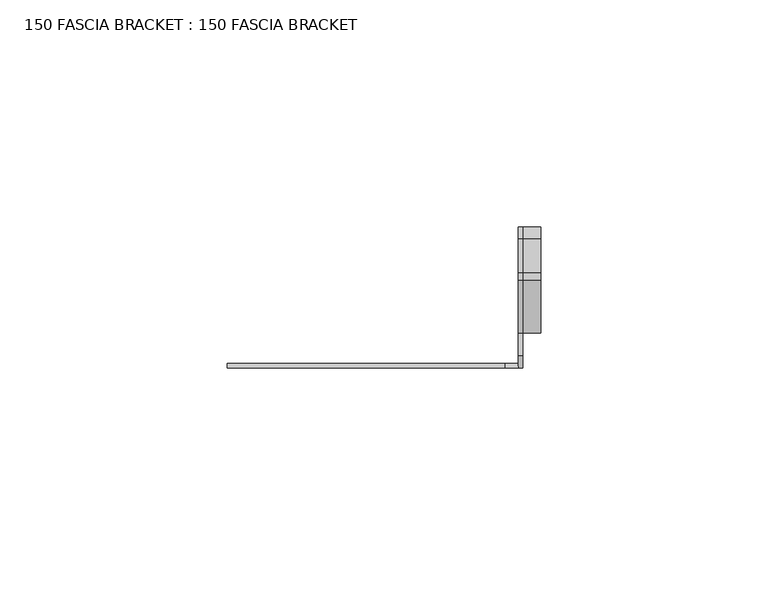
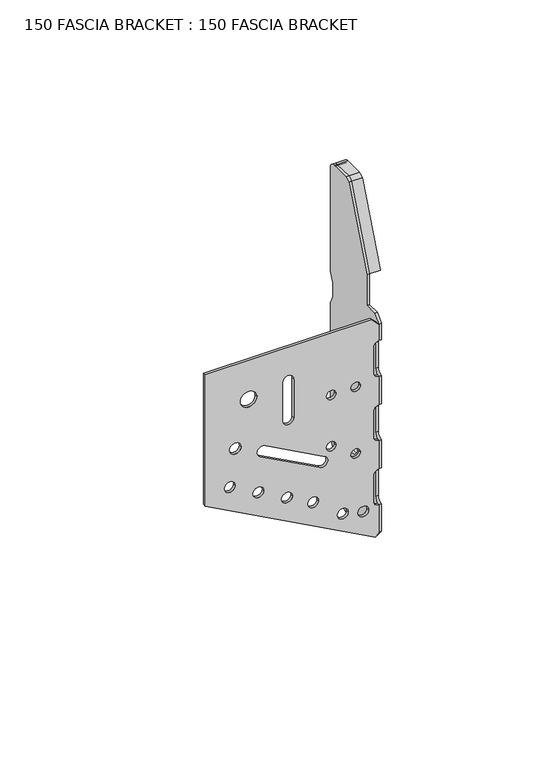
"""IFC4 building model written with IfcOpenShell, lengths in millimetres: proxy geometry, 150 FASCIA BRACKET : 150 FASCIA BRACKET."""

from ifc_helpers import new_model, si_unit, point, frame, frame_2d, origin, place, context, project, spatial, polyline, circle_curve, trimmed, segment, composite_curve, outline, extrude, source, transform, mapped, element, save


def proxy_150_fascia_bracket_150_fascia_bracket_fdb0e540(model_context):
    return source(origin(), model_context, "Body", "SweptSolid", [
        extrude(outline(composite_curve([segment(polyline([(87.0551319, -64.0418901), (36.0, -64.0418901), (1.9548724, -1.3378749), (3.2811227, 0.0), (14.0555655, 0.0)]), True, "CONTINUOUS"), segment(trimmed(circle_curve(frame_2d((16.0787588, -0.0418901)), 2.0236269), [point((14.0555655, 0.0))], [point((16.0787588, -2.065517))], True, "CARTESIAN"), True, "CONTINUOUS"), segment(polyline([(16.0787588, -2.065517), (26.0315049, -2.065517)]), True, "CONTINUOUS"), segment(trimmed(circle_curve(frame_2d((26.0315049, -0.0418901)), 2.0236269), [point((26.0315049, -2.065517))], [point((28.0546983, 0.0))], True, "CARTESIAN"), True, "CONTINUOUS"), segment(polyline([(28.0546983, 0.0), (39.0555655, 0.0)]), True, "CONTINUOUS"), segment(trimmed(circle_curve(frame_2d((41.0787588, -0.0418901)), 2.0236269), [point((39.0555655, 0.0))], [point((41.0787588, -2.065517))], True, "CARTESIAN"), True, "CONTINUOUS"), segment(polyline([(41.0787588, -2.065517), (51.0315049, -2.065517)]), True, "CONTINUOUS"), segment(trimmed(circle_curve(frame_2d((51.0315049, -0.0418901)), 2.0236269), [point((51.0315049, -2.065517))], [point((53.0546983, 0.0))], True, "CARTESIAN"), True, "CONTINUOUS"), segment(polyline([(53.0546983, 0.0), (64.0555655, 0.0)]), True, "CONTINUOUS"), segment(trimmed(circle_curve(frame_2d((66.0787588, -0.0418901)), 2.0236269), [point((64.0555655, 0.0))], [point((66.0787588, -2.065517))], True, "CARTESIAN"), True, "CONTINUOUS"), segment(polyline([(66.0787588, -2.065517), (76.0315049, -2.065517)]), True, "CONTINUOUS"), segment(trimmed(circle_curve(frame_2d((76.0315049, -0.0418901)), 2.0236269), [point((76.0315049, -2.065517))], [point((78.0546983, 0.0))], True, "CARTESIAN"), True, "CONTINUOUS"), segment(polyline([(78.0546983, 0.0), (84.253272, 0.0), (87.0551319, -2.8018599), (87.0551319, -64.0418901)]), True, "CONTINUOUS")], self_intersect=False), holes=[composite_curve([segment(trimmed(circle_curve(frame_2d((72.0, -47.9979045)), 3.0), [point((72.0, -50.9979045))], [point((72.0, -44.9979045))], True, "CARTESIAN"), True, "CONTINUOUS"), segment(trimmed(circle_curve(frame_2d((72.0, -47.9979045)), 3.0), [point((72.0, -44.9979045))], [point((72.0, -50.9979045))], True, "CARTESIAN"), True, "CONTINUOUS")], self_intersect=False), composite_curve([segment(trimmed(circle_curve(frame_2d((54.5, -52.9517366)), 2.0901535), [point((54.5, -55.0418901))], [point((54.5, -50.861583))], True, "CARTESIAN"), True, "CONTINUOUS"), segment(trimmed(circle_curve(frame_2d((54.5, -52.9517366)), 2.0901535), [point((54.5, -50.861583))], [point((54.5, -55.0418901))], True, "CARTESIAN"), True, "CONTINUOUS")], self_intersect=False), composite_curve([segment(trimmed(circle_curve(frame_2d((40.1676263, -54.9517366)), 2.0), [point((40.1676263, -56.9517366))], [point((40.1676263, -52.9517366))], True, "CARTESIAN"), True, "CONTINUOUS"), segment(trimmed(circle_curve(frame_2d((40.1676263, -54.9517366)), 2.0), [point((40.1676263, -52.9517366))], [point((40.1676263, -56.9517366))], True, "CARTESIAN"), True, "CONTINUOUS")], self_intersect=False), composite_curve([segment(trimmed(circle_curve(frame_2d((34.4417699, -44.4059048)), 2.0), [point((34.4417699, -46.4059048))], [point((34.4417699, -42.4059048))], True, "CARTESIAN"), True, "CONTINUOUS"), segment(trimmed(circle_curve(frame_2d((34.4417699, -44.4059048)), 2.0), [point((34.4417699, -42.4059048))], [point((34.4417699, -46.4059048))], True, "CARTESIAN"), True, "CONTINUOUS")], self_intersect=False), composite_curve([segment(trimmed(circle_curve(frame_2d((28.7159134, -33.860073)), 2.0), [point((28.7159134, -35.860073))], [point((28.7159134, -31.860073))], True, "CARTESIAN"), True, "CONTINUOUS"), segment(trimmed(circle_curve(frame_2d((28.7159134, -33.860073)), 2.0), [point((28.7159134, -31.860073))], [point((28.7159134, -35.860073))], True, "CARTESIAN"), True, "CONTINUOUS")], self_intersect=False), composite_curve([segment(trimmed(circle_curve(frame_2d((23.4672117, -24.1930605)), 2.0), [point((23.4672117, -26.1930605))], [point((23.4672117, -22.1930605))], True, "CARTESIAN"), True, "CONTINUOUS"), segment(trimmed(circle_curve(frame_2d((23.4672117, -24.1930605)), 2.0), [point((23.4672117, -22.1930605))], [point((23.4672117, -26.1930605))], True, "CARTESIAN"), True, "CONTINUOUS")], self_intersect=False), composite_curve([segment(trimmed(circle_curve(frame_2d((15.2572508, -13.2891371)), 2.0), [point((15.2572508, -15.2891371))], [point((15.2572508, -11.2891371))], True, "CARTESIAN"), True, "CONTINUOUS"), segment(trimmed(circle_curve(frame_2d((15.2572508, -13.2891371)), 2.0), [point((15.2572508, -11.2891371))], [point((15.2572508, -15.2891371))], True, "CARTESIAN"), True, "CONTINUOUS")], self_intersect=False), composite_curve([segment(trimmed(circle_curve(frame_2d((13.4571433, -5.7323275)), 2.0), [point((13.4571433, -7.7323275))], [point((13.4571433, -3.7323275))], True, "CARTESIAN"), True, "CONTINUOUS"), segment(trimmed(circle_curve(frame_2d((13.4571433, -5.7323275)), 2.0), [point((13.4571433, -3.7323275))], [point((13.4571433, -7.7323275))], True, "CARTESIAN"), True, "CONTINUOUS")], self_intersect=False), composite_curve([segment(trimmed(circle_curve(frame_2d((63.0, -17.5622042)), 1.75), [point((63.0, -19.3122042))], [point((63.0, -15.8122042))], True, "CARTESIAN"), True, "CONTINUOUS"), segment(trimmed(circle_curve(frame_2d((63.0, -17.5622042)), 1.75), [point((63.0, -15.8122042))], [point((63.0, -19.3122042))], True, "CARTESIAN"), True, "CONTINUOUS")], self_intersect=False), composite_curve([segment(trimmed(circle_curve(frame_2d((63.0, -8.5501839)), 1.75), [point((63.0, -10.3001839))], [point((63.0, -6.8001839))], True, "CARTESIAN"), True, "CONTINUOUS"), segment(trimmed(circle_curve(frame_2d((63.0, -8.5501839)), 1.75), [point((63.0, -6.8001839))], [point((63.0, -10.3001839))], True, "CARTESIAN"), True, "CONTINUOUS")], self_intersect=False), composite_curve([segment(trimmed(circle_curve(frame_2d((43.0, -17.5622042)), 1.75), [point((43.0, -19.3122042))], [point((43.0, -15.8122042))], True, "CARTESIAN"), True, "CONTINUOUS"), segment(trimmed(circle_curve(frame_2d((43.0, -17.5622042)), 1.75), [point((43.0, -15.8122042))], [point((43.0, -19.3122042))], True, "CARTESIAN"), True, "CONTINUOUS")], self_intersect=False), composite_curve([segment(trimmed(circle_curve(frame_2d((37.0, -8.5501839)), 1.75), [point((37.0, -10.3001839))], [point((37.0, -6.8001839))], True, "CARTESIAN"), True, "CONTINUOUS"), segment(trimmed(circle_curve(frame_2d((37.0, -8.5501839)), 1.75), [point((37.0, -6.8001839))], [point((37.0, -10.3001839))], True, "CARTESIAN"), True, "CONTINUOUS")], self_intersect=False), composite_curve([segment(polyline([(73.9763731, -31.3773702), (59.0236269, -31.3773702)]), True, "CONTINUOUS"), segment(trimmed(circle_curve(frame_2d((59.0236269, -33.4009971)), 2.0236269), [point((59.0236269, -31.3773702))], [point((59.0236269, -35.4246241))], True, "CARTESIAN"), True, "CONTINUOUS"), segment(polyline([(59.0236269, -35.4246241), (73.9763731, -35.4246241)]), True, "CONTINUOUS"), segment(trimmed(circle_curve(frame_2d((73.9763731, -33.4009971)), 2.0236269), [point((73.9763731, -35.4246241))], [point((73.9763731, -31.3773702))], True, "CARTESIAN"), True, "CONTINUOUS")], self_intersect=False), composite_curve([segment(polyline([(51.7189076, -41.8530352), (39.7916838, -19.8855798)]), True, "CONTINUOUS"), segment(trimmed(circle_curve(frame_2d((38.0132813, -20.8511629)), 2.0236269), [point((39.7916838, -19.8855798))], [point((36.2348789, -21.816746))], True, "CARTESIAN"), True, "CONTINUOUS"), segment(polyline([(36.2348789, -21.816746), (48.1621027, -43.7842015)]), True, "CONTINUOUS"), segment(trimmed(circle_curve(frame_2d((49.9405052, -42.8186183)), 2.0236269), [point((48.1621027, -43.7842015))], [point((51.7189076, -41.8530352))], True, "CARTESIAN"), True, "CONTINUOUS")], self_intersect=False)]), frame((0.0, -1.0, 0.0), z_axis=(0.0, 1.0, 0.0), x_axis=(0.0, 0.0, 1.0)), (0.0, 0.0, 1.0), 1.0),
        extrude(outline(composite_curve([segment(polyline([(-1.0, 84.331397), (1.7237349, 87.0551319), (6.6645514, 87.0551319), (6.6645514, 99.0792965), (18.2107598, 127.9914442)]), True, "CONTINUOUS"), segment(trimmed(circle_curve(frame_2d((19.9780513, 127.0551319)), 2.0), [point((18.2107598, 127.9914442))], [point((19.9780513, 129.0551319))], False, "CARTESIAN"), True, "CONTINUOUS"), segment(polyline([(19.9780513, 129.0551319), (27.3362349, 129.0551319)]), True, "CONTINUOUS"), segment(trimmed(circle_curve(frame_2d((27.3362349, 126.3551319)), 2.7), [point((27.3362349, 129.0551319))], [point((30.0362349, 126.3551319))], False, "CARTESIAN"), True, "CONTINUOUS"), segment(polyline([(30.0362349, 126.3551319), (30.0362349, 86.2759009), (28.4116721, 82.7759009), (28.4116721, 77.3343629), (30.0362349, 73.8343629), (30.0362349, 36.2759009), (28.4116721, 32.7759009), (28.4116721, 27.3343629), (30.0362349, 23.8343629), (27.2126299, 13.676509), (24.2228862, 10.6867653), (26.2360649, 10.1633389), (23.4109351, 0.0), (12.0362349, -5.0048681), (12.0362349, 0.2023294), (1.6015429, 0.2023294), (-1.0, 3.3362546), (-1.0, 14.0554563)]), True, "CONTINUOUS"), segment(trimmed(circle_curve(frame_2d((-0.9637651, 16.0787588)), 2.0236269), [point((-1.0, 14.0554563))], [point((1.0598619, 16.0787588))], True, "CARTESIAN"), True, "CONTINUOUS"), segment(polyline([(1.0598619, 16.0787588), (1.0598619, 26.0315049)]), True, "CONTINUOUS"), segment(trimmed(circle_curve(frame_2d((-0.9637651, 26.0315049)), 2.0236269), [point((1.0598619, 26.0315049))], [point((-1.0, 28.0548075))], True, "CARTESIAN"), True, "CONTINUOUS"), segment(polyline([(-1.0, 28.0548075), (-1.0, 39.0554563)]), True, "CONTINUOUS"), segment(trimmed(circle_curve(frame_2d((-0.9637651, 41.0787588)), 2.0236269), [point((-1.0, 39.0554563))], [point((1.0598619, 41.0787588))], True, "CARTESIAN"), True, "CONTINUOUS"), segment(polyline([(1.0598619, 41.0787588), (1.0598619, 51.0315049)]), True, "CONTINUOUS"), segment(trimmed(circle_curve(frame_2d((-0.9637651, 51.0315049)), 2.0236269), [point((1.0598619, 51.0315049))], [point((-1.0, 53.0548075))], True, "CARTESIAN"), True, "CONTINUOUS"), segment(polyline([(-1.0, 53.0548075), (-1.0, 64.0554563)]), True, "CONTINUOUS"), segment(trimmed(circle_curve(frame_2d((-0.9637651, 66.0787588)), 2.0236269), [point((-1.0, 64.0554563))], [point((1.0598619, 66.0787588))], True, "CARTESIAN"), True, "CONTINUOUS"), segment(polyline([(1.0598619, 66.0787588), (1.0598619, 76.0315049)]), True, "CONTINUOUS"), segment(trimmed(circle_curve(frame_2d((-0.9637651, 76.0315049)), 2.0236269), [point((1.0598619, 76.0315049))], [point((-1.0, 78.0548075))], True, "CARTESIAN"), True, "CONTINUOUS"), segment(polyline([(-1.0, 78.0548075), (-1.0, 84.331397)]), True, "CONTINUOUS")], self_intersect=False), holes=[composite_curve([segment(trimmed(circle_curve(frame_2d((15.9581099, 27.0)), 3.0), [point((12.9581099, 27.0))], [point((18.9581099, 27.0))], True, "CARTESIAN"), True, "CONTINUOUS"), segment(trimmed(circle_curve(frame_2d((15.9581099, 27.0)), 3.0), [point((18.9581099, 27.0))], [point((12.9581099, 27.0))], True, "CARTESIAN"), True, "CONTINUOUS")], self_intersect=False)]), frame((0.0, 0.0, 0.0), z_axis=(1.0, 0.0, 0.0), x_axis=(0.0, 1.0, 0.0)), (0.0, 0.0, 1.0), 1.0),
        extrude(outline(composite_curve([segment(polyline([(6.6645514, 99.0792965), (18.2107598, 127.9914442)]), True, "CONTINUOUS"), segment(trimmed(circle_curve(frame_2d((19.9780513, 127.0551319)), 2.0), [point((18.2107598, 127.9914442))], [point((19.9780513, 129.0551319))], False, "CARTESIAN"), True, "CONTINUOUS"), segment(polyline([(19.9780513, 129.0551319), (27.3362349, 129.0551319)]), True, "CONTINUOUS"), segment(trimmed(circle_curve(frame_2d((27.3362349, 126.3551319)), 2.7), [point((27.3362349, 129.0551319))], [point((30.0362349, 126.3551319))], False, "CARTESIAN"), True, "CONTINUOUS"), segment(polyline([(30.0362349, 126.3551319), (30.0362349, 86.2759009), (28.4116721, 82.7759009), (28.4116721, 77.3343629), (30.0362349, 73.8343629), (30.0362349, 36.2759009), (28.4116721, 32.7759009), (28.4116721, 27.3343629), (30.0362349, 23.8343629), (28.9337626, 23.8343629), (27.4116721, 27.1135938), (27.4116721, 32.99667), (29.0362349, 36.49667), (29.0362349, 73.6135938), (27.4116721, 77.1135938), (27.4116721, 82.99667), (29.0362349, 86.49667), (29.0362349, 126.3551319)]), True, "CONTINUOUS"), segment(trimmed(circle_curve(frame_2d((27.3362349, 126.3551319)), 1.7), [point((29.0362349, 126.3551319))], [point((27.3362349, 128.0551319))], True, "CARTESIAN"), True, "CONTINUOUS"), segment(polyline([(27.3362349, 128.0551319), (19.9780513, 128.0551319)]), True, "CONTINUOUS"), segment(trimmed(circle_curve(frame_2d((19.9780513, 127.0551319)), 1.0), [point((19.9780513, 128.0551319))], [point((19.1159883, 127.5619329))], True, "CARTESIAN"), True, "CONTINUOUS"), segment(polyline([(19.1159883, 127.5619329), (7.5769499, 98.714337), (6.6645514, 99.0792965)]), True, "CONTINUOUS")], self_intersect=False)), frame((1.0, 0.0, 0.0), z_axis=(1.0, 0.0, 0.0), x_axis=(0.0, 1.0, 0.0)), (0.0, 0.0, 1.0), 4.0),
    ])


if __name__ == "__main__":
    model = new_model("IFC4")
    model_context = context("Model", 3, world=origin())
    ifc_project = project(units=[si_unit("LENGTHUNIT", "METRE", prefix="MILLI")], contexts=[model_context])
    site = spatial("IfcSite", under=ifc_project)
    building = spatial("IfcBuilding", under=site)
    placement = place(None, origin())
    proxy_150_fascia_bracket_150_fascia_bracket_shape = proxy_150_fascia_bracket_150_fascia_bracket_fdb0e540(model_context)
    element("IfcBuildingElementProxy", 1, Name="150 FASCIA BRACKET : 150 FASCIA BRACKET", ObjectType="150 FASCIA BRACKET : 150 FASCIA BRACKET", at=placement, inside=building, context=model_context, shape_type="MappedRepresentation", body=[
        mapped(proxy_150_fascia_bracket_150_fascia_bracket_shape, transform((0.0, 0.0, 0.0), x_axis=(1.0, 0.0, 0.0), y_axis=(0.0, 1.0, 0.0), z_axis=(0.0, 0.0, 1.0))),
    ])
    save(model, "model.ifc")
